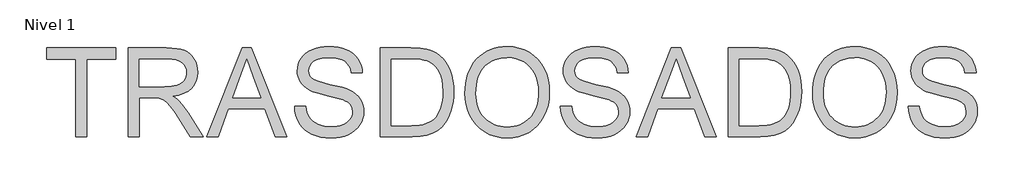
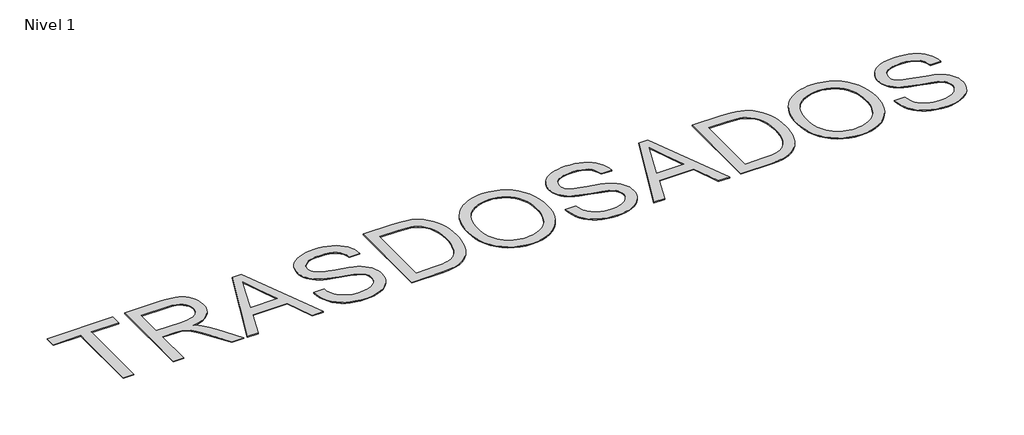
# One storey, part 13 of 13: 1 proxy.
"""IFC4 building model written with IfcOpenShell, lengths in millimetres."""

from ifc_helpers import new_model, si_unit, origin, origin_with_axes, place, context, project, spatial, polyline, outline, extrude, element, save

model = new_model("IFC4")

# Units and contexts
model_context = context("Model", 3, world=origin())
ifc_project = project(units=[si_unit("LENGTHUNIT", "METRE", prefix="MILLI")], contexts=[model_context])

# Site, building, storey
site = spatial("IfcSite", under=ifc_project)
building = spatial("IfcBuilding", under=site)
storey = spatial("IfcBuildingStorey", under=building, Name="Nivel 1", Elevation=0.0)

# Proxy
placement = place(None, origin())
element("IfcBuildingElementProxy", 1, Name="Texto de modelo 2", ObjectType="Texto de modelo 2", at=placement, inside=storey, context=model_context, shape_type="SweptSolid", body=[
    extrude(outline(polyline([(-17594.1247098, 9182.1614107), (-17594.1247098, 10061.1541246), (-17923.7469775, 10061.1541246), (-17923.7469775, 10186.7245122), (-17138.9320545, 10186.7245122), (-17138.9320545, 10061.1541246), (-17468.5543221, 10061.1541246), (-17468.5543221, 9182.1614107), (-17594.1247098, 9182.1614107)])), origin_with_axes(), (0.0, 0.0, 1.0), 10.0),
    extrude(outline(polyline([(-16997.6653683, 9182.1614107), (-16997.6653683, 10186.7245122), (-16564.7908873, 10186.7245122), (-16502.6571512, 10185.0307222), (-16448.4482064, 10179.9493522), (-16402.1640528, 10171.4804021), (-16363.8046906, 10159.6238719), (-16331.1398351, 10143.467721), (-16301.9392018, 10122.0999084), (-16276.2027905, 10095.5204343), (-16253.9306014, 10063.7292985), (-16235.9580331, 10028.4356196), (-16223.1204843, 9991.348516), (-16215.417955, 9952.4679876), (-16212.8504453, 9911.7940345), (-16217.1040808, 9860.1985847), (-16229.8649875, 9812.8337778), (-16251.1331654, 9769.6996139), (-16280.9086144, 9730.7960929), (-16319.5745449, 9697.3648166), (-16367.5141674, 9670.6473867), (-16424.7274819, 9650.6438032), (-16491.2144883, 9637.3540661), (-16449.8277638, 9610.3147395), (-16419.8453812, 9583.6432948), (-16368.4032156, 9522.6361973), (-16318.0646959, 9454.3940872), (-16150.5557608, 9182.1614107), (-16296.4822855, 9182.1614107), (-16427.2030211, 9390.38262), (-16479.5035781, 9469.845131), (-16521.6260666, 9528.2157409), (-16556.7281403, 9568.4068488), (-16587.967453, 9593.330854), (-16617.5512968, 9607.9541633), (-16647.6869636, 9617.2431837), (-16720.5275986, 9621.6577676), (-16872.0949806, 9621.6577676), (-16872.0949806, 9182.1614107), (-16997.6653683, 9182.1614107)]), holes=[polyline([(-16872.0949806, 9747.2281553), (-16591.0331363, 9747.2281553), (-16510.3136952, 9751.6733961), (-16447.6817855, 9765.0091184), (-16422.4971973, 9775.2331722), (-16400.5315765, 9788.1243705), (-16381.7849231, 9803.6827132), (-16366.2572373, 9821.9082004), (-16354.0788104, 9841.9041196), (-16345.379934, 9862.7737587), (-16340.1606082, 9884.5171174), (-16338.420833, 9907.1341959), (-16341.7394351, 9939.2472284), (-16351.6952416, 9968.3865481), (-16368.2882524, 9994.552155), (-16391.5184676, 10017.7440491), (-16421.9223817, 10036.7359571), (-16460.0364892, 10050.3016057), (-16505.8607902, 10058.4409948), (-16559.3952847, 10061.1541246), (-16872.0949806, 10061.1541246), (-16872.0949806, 9747.2281553)])]), origin_with_axes(), (0.0, 0.0, 1.0), 10.0),
    extrude(outline(polyline([(-16110.0887413, 9182.1614107), (-15709.0973665, 10186.7245122), (-15602.1663333, 10186.7245122), (-15201.1749585, 9182.1614107), (-15333.8577315, 9182.1614107), (-15448.8821686, 9496.08738), (-15862.6267859, 9496.08738), (-15977.4059684, 9182.1614107), (-16110.0887413, 9182.1614107)]), holes=[polyline([(-15816.5189091, 9621.6577676), (-15494.7447907, 9621.6577676), (-15585.2437615, 9868.6292137), (-15655.6318499, 10061.1541246), (-15718.1717891, 9890.2116241), (-15816.5189091, 9621.6577676)])]), origin_with_axes(), (0.0, 0.0, 1.0), 10.0),
    extrude(outline(polyline([(-15114.109553, 9527.4799769), (-14988.5391653, 9527.4799769), (-14982.7910091, 9490.9293678), (-14974.1304538, 9457.7969956), (-14962.5574994, 9428.0828603), (-14948.0721459, 9401.7869619), (-14929.9386292, 9378.3804699), (-14907.4211854, 9357.3345541), (-14880.5198145, 9338.6492144), (-14849.2345165, 9322.3244509), (-14814.7149226, 9309.0730349), (-14778.1106641, 9299.6077377), (-14739.4217409, 9293.9285594), (-14698.6481531, 9292.0355), (-14628.6892604, 9297.7683277), (-14596.9747667, 9304.9343624), (-14567.4369082, 9314.966811), (-14540.8037846, 9327.5054557), (-14517.8034957, 9342.1900786), (-14498.4360415, 9359.0206799), (-14482.701422, 9377.9972595), (-14470.5229951, 9398.2997471), (-14461.8241187, 9419.1080725), (-14456.6047929, 9440.4222356), (-14454.8650177, 9462.2422364), (-14460.0766793, 9504.2727544), (-14475.711664, 9540.6011014), (-14488.8634454, 9556.7189313), (-14507.472143, 9571.5951595), (-14531.5377568, 9585.2297859), (-14561.0602869, 9597.6228106), (-14627.3710166, 9617.3351542), (-14743.8976385, 9645.5700973), (-14863.9191395, 9677.2999194), (-14907.7200895, 9692.5900148), (-14940.714506, 9707.4968999), (-14974.245417, 9727.5004833), (-15003.2237883, 9749.7420156), (-15027.6496199, 9774.2214967), (-15047.5229119, 9800.9389266), (-15062.9203062, 9829.6183938), (-15073.918445, 9859.9839869), (-15080.5173283, 9892.0357057), (-15082.7169561, 9925.7735503), (-15079.9961622, 9963.1672223), (-15071.8337804, 9999.3192925), (-15058.2298108, 10034.229761), (-15039.1842533, 10067.8986278), (-15014.9117059, 10098.9539996), (-14985.6267662, 10126.023983), (-14951.3294344, 10149.1085782), (-14912.0197103, 10168.2077851), (-14869.0235021, 10183.1759838), (-14823.6667178, 10193.8675543), (-14775.9493574, 10200.2824966), (-14725.8714208, 10202.4208107), (-14671.2409445, 10200.1828619), (-14619.9214062, 10193.4690155), (-14571.9128058, 10182.2792715), (-14527.2151434, 10166.6136298), (-14486.6561534, 10146.6100463), (-14451.0635704, 10122.4064767), (-14420.4373943, 10094.002921), (-14394.7776251, 10061.3993792), (-14374.2835323, 10025.5462131), (-14359.1543852, 9987.3937845), (-14349.390184, 9946.9420935), (-14344.9909284, 9904.1911399), (-14470.5613161, 9904.1911399), (-14478.9612883, 9944.2596206), (-14493.6152545, 9979.1164396), (-14514.5232145, 10008.7615971), (-14541.6851685, 10033.1950929), (-14575.6069542, 10052.2942998), (-14616.7944092, 10065.9365905), (-14665.2475336, 10074.1219649), (-14720.9663275, 10076.850423), (-14778.4632177, 10074.1526217), (-14827.5907924, 10066.0592178), (-14868.3490518, 10052.5702113), (-14900.7379958, 10033.6856022), (-14925.4167463, 10010.9842175), (-14943.0444253, 9986.0448839), (-14953.6210326, 9958.8676015), (-14957.1465684, 9929.4523703), (-14954.6480365, 9904.1451547), (-14947.1524409, 9881.1985152), (-14934.6597814, 9860.6124519), (-14917.1700583, 9842.3869648), (-14889.6402223, 9825.1271678), (-14846.2914605, 9807.6834299), (-14787.123773, 9790.0557509), (-14712.1371596, 9772.244131), (-14573.6909021, 9738.5829284), (-14524.9771946, 9723.3618109), (-14489.9364345, 9709.2136825), (-14451.4391166, 9687.7692279), (-14418.3527296, 9663.6576288), (-14390.6772737, 9636.8788852), (-14368.4127488, 9607.4329972), (-14351.2985718, 9575.4732488), (-14339.0741597, 9541.1529244), (-14331.7395124, 9504.4720238), (-14329.29463, 9465.430547), (-14332.1073944, 9426.1514798), (-14340.5456877, 9388.0220439), (-14354.6095098, 9351.0422392), (-14374.2988607, 9315.2120657), (-14399.2688511, 9281.9187451), (-14429.1745917, 9252.5494992), (-14464.0160823, 9227.1043278), (-14503.793323, 9205.5832311), (-14547.3490184, 9188.4690541), (-14593.525873, 9176.244642), (-14642.3238868, 9168.9099947), (-14693.7430599, 9166.4651123), (-14757.9767891, 9169.1015999), (-14816.7689304, 9177.0110628), (-14870.1194839, 9190.193501), (-14918.0284496, 9208.6489144), (-14960.7870673, 9232.4079599), (-14998.686577, 9261.5012944), (-15031.7269787, 9295.9289178), (-15059.9082724, 9335.6908301), (-15082.6096572, 9379.4994443), (-15099.2103322, 9426.0671735), (-15109.7102975, 9475.3940177), (-15114.109553, 9527.4799769)])), origin_with_axes(), (0.0, 0.0, 1.0), 10.0),
    extrude(outline(polyline([(-14140.9390484, 9182.1614107), (-14140.9390484, 10186.7245122), (-13794.394209, 10186.7245122), (-13690.8354273, 10183.107006), (-13615.11305, 10172.2544871), (-13573.5117277, 10160.3136507), (-13535.0374024, 10144.3567691), (-13499.690074, 10124.3838425), (-13467.4697426, 10100.3948707), (-13430.237019, 10064.4650625), (-13398.0013592, 10023.8754157), (-13370.7627631, 9978.6259303), (-13348.5212308, 9928.7166063), (-13331.2461055, 9874.6072962), (-13318.9067302, 9816.7578524), (-13311.5031051, 9755.1682751), (-13309.03523, 9689.8385641), (-13310.7060274, 9634.3113754), (-13315.7184196, 9582.0184827), (-13324.0724066, 9532.9598858), (-13335.7679883, 9487.1355847), (-13366.3021939, 9406.35483), (-13384.4203822, 9371.6896161), (-13404.4392941, 9340.841178), (-13448.3398789, 9289.1231008), (-13496.1645382, 9249.7290705), (-13551.070926, 9220.5131087), (-13616.216696, 9199.3292372), (-13691.7244755, 9186.4533674), (-13777.7168919, 9182.1614107), (-14140.9390484, 9182.1614107)]), holes=[polyline([(-14015.3686607, 9307.7317984), (-13793.1679357, 9307.7317984), (-13701.2587505, 9312.2690097), (-13663.6274881, 9317.9405238), (-13631.5451124, 9325.8806435), (-13578.9379871, 9347.7696222), (-13557.1409789, 9361.5192118), (-13538.3483403, 9377.1388682), (-13515.1794388, 9402.3157922), (-13494.7236671, 9431.493433), (-13476.981025, 9464.6717904), (-13461.9515127, 9501.8508646), (-13449.9876836, 9543.1072975), (-13441.4420914, 9588.5177312), (-13436.3147361, 9638.0821659), (-13434.6056177, 9691.8006014), (-13437.9548767, 9764.7025501), (-13448.0026537, 9828.6527036), (-13464.7489487, 9883.6510619), (-13488.1937617, 9929.6976249), (-13516.436369, 9967.8347251), (-13547.576047, 9999.1046947), (-13581.6127958, 10023.5075337), (-13618.5466153, 10041.0432421), (-13650.4603784, 10049.8417532), (-13690.7741137, 10056.126404), (-13796.601501, 10061.1541246), (-14015.3686607, 10061.1541246), (-14015.3686607, 9307.7317984)])]), origin_with_axes(), (0.0, 0.0, 1.0), 10.0),
    extrude(outline(polyline([(-13183.4648423, 9671.1992097), (-13181.3725135, 9731.8039363), (-13175.0955269, 9789.028747), (-13164.6338827, 9842.873642), (-13149.9875808, 9893.3386211), (-13131.1566211, 9940.4236844), (-13108.1410038, 9984.1288318), (-13080.9407288, 10024.4540634), (-13049.5557961, 10061.3993792), (-13014.8637575, 10094.4512772), (-12977.7421649, 10123.0962555), (-12938.1910184, 10147.334314), (-12896.2103178, 10167.1654528), (-12851.8000632, 10182.5896719), (-12804.9602545, 10193.6069712), (-12755.6908919, 10200.2173508), (-12703.9919753, 10202.4208107), (-12636.4089871, 10198.2821383), (-12572.2289073, 10185.8661209), (-12511.4517361, 10165.1727587), (-12454.0774732, 10136.2020516), (-12401.7156026, 10099.8277193), (-12355.9756078, 10056.9234816), (-12316.857489, 10007.4893385), (-12284.3612461, 9951.52529), (-12258.8241043, 9890.3035946), (-12240.5832887, 9825.096511), (-12229.6387993, 9755.9040391), (-12225.9906362, 9682.7261788), (-12229.8304045, 9608.5826284), (-12241.3497095, 9538.4551231), (-12260.5485511, 9472.3436629), (-12287.4269294, 9410.2482478), (-12321.348715, 9353.8090183), (-12361.6777788, 9304.6661151), (-12408.4141206, 9262.8195382), (-12461.5577405, 9228.2692875), (-12519.0163096, 9201.2299608), (-12578.6974991, 9181.9161561), (-12640.601309, 9170.3278732), (-12704.7277393, 9166.4651123), (-12773.4910155, 9170.7340763), (-12838.5141582, 9183.5409682), (-12899.7971672, 9204.8857882), (-12957.3400426, 9234.7685361), (-13009.6405996, 9272.0319165), (-13055.1966533, 9315.518634), (-13094.0082038, 9365.2286886), (-13126.0752511, 9421.1620803), (-13151.1831972, 9481.073196), (-13169.1174445, 9542.7164228), (-13179.8779929, 9606.0917607), (-13183.4648423, 9671.1992097)]), holes=[polyline([(-13057.8944546, 9669.9729363), (-13056.325208, 9627.1798297), (-13051.6174681, 9586.7243065), (-13043.7712349, 9548.6063669), (-13032.7865085, 9512.8260107), (-13018.6632887, 9479.3832381), (-13001.4015758, 9448.278049), (-12981.0013695, 9419.5104434), (-12957.46267, 9393.0804213), (-12931.5557301, 9369.3980179), (-12904.0508028, 9348.8732682), (-12874.9478881, 9331.5061724), (-12844.2469859, 9317.2967303), (-12811.9480964, 9306.244942), (-12778.0512194, 9298.3508076), (-12742.5563551, 9293.6143269), (-12705.4635033, 9292.0355), (-12667.692369, 9293.6296553), (-12631.6341853, 9298.4121212), (-12597.2889522, 9306.3828978), (-12564.6566696, 9317.541985), (-12533.7373375, 9331.8893828), (-12504.530956, 9349.4250912), (-12477.037525, 9370.1491103), (-12451.2570446, 9394.06144), (-12427.8907897, 9420.9053293), (-12407.6400355, 9450.4240273), (-12390.504782, 9482.617534), (-12376.4850291, 9517.4858493), (-12365.5807768, 9555.0289734), (-12357.7920252, 9595.2469061), (-12353.1187742, 9638.1396475), (-12351.5610239, 9683.7071975), (-12354.2281684, 9741.1734308), (-12362.2296018, 9794.8688737), (-12375.5653241, 9844.7935261), (-12394.2353353, 9890.9473881), (-12418.0327019, 9932.7249872), (-12446.7504901, 9969.5208509), (-12480.3887001, 10001.3349793), (-12518.9473317, 10028.1673723), (-12561.2307685, 10049.466207), (-12606.0433941, 10064.6796603), (-12653.3852083, 10073.8077323), (-12703.2562113, 10076.850423), (-12773.322403, 10070.9873037), (-12838.3302172, 10053.3979458), (-12868.9372328, 10040.2059274), (-12898.279654, 10024.0823493), (-12953.1707133, 9983.0405142), (-12977.7153402, 9957.6279158), (-12998.9873502, 9928.2950748), (-13016.9867432, 9895.0419914), (-13031.7135193, 9857.8686654), (-13043.1676785, 9816.7750969), (-13051.3492208, 9771.7612859), (-13056.2581462, 9722.8272324), (-13057.8944546, 9669.9729363)])]), origin_with_axes(), (0.0, 0.0, 1.0), 10.0),
    extrude(outline(polyline([(-12100.4202485, 9527.4799769), (-11974.8498608, 9527.4799769), (-11969.1017047, 9490.9293678), (-11960.4411494, 9457.7969956), (-11948.8681949, 9428.0828603), (-11934.3828414, 9401.7869619), (-11916.2493247, 9378.3804699), (-11893.7318809, 9357.3345541), (-11866.83051, 9338.6492144), (-11835.545212, 9322.3244509), (-11801.0256181, 9309.0730349), (-11764.4213596, 9299.6077377), (-11725.7324364, 9293.9285594), (-11684.9588486, 9292.0355), (-11614.9999559, 9297.7683277), (-11583.2854622, 9304.9343624), (-11553.7476037, 9314.966811), (-11527.1144801, 9327.5054557), (-11504.1141912, 9342.1900786), (-11484.746737, 9359.0206799), (-11469.0121175, 9377.9972595), (-11456.8336906, 9398.2997471), (-11448.1348142, 9419.1080725), (-11442.9154884, 9440.4222356), (-11441.1757132, 9462.2422364), (-11446.3873748, 9504.2727544), (-11462.0223596, 9540.6011014), (-11475.1741409, 9556.7189313), (-11493.7828385, 9571.5951595), (-11517.8484523, 9585.2297859), (-11547.3709824, 9597.6228106), (-11613.6817121, 9617.3351542), (-11730.208334, 9645.5700973), (-11850.229835, 9677.2999194), (-11894.030785, 9692.5900148), (-11927.0252015, 9707.4968999), (-11960.5561125, 9727.5004833), (-11989.5344838, 9749.7420156), (-12013.9603154, 9774.2214967), (-12033.8336074, 9800.9389266), (-12049.2310017, 9829.6183938), (-12060.2291405, 9859.9839869), (-12066.8280238, 9892.0357057), (-12069.0276516, 9925.7735503), (-12066.3068577, 9963.1672223), (-12058.1444759, 9999.3192925), (-12044.5405063, 10034.229761), (-12025.4949488, 10067.8986278), (-12001.2224014, 10098.9539996), (-11971.9374617, 10126.023983), (-11937.6401299, 10149.1085782), (-11898.3304058, 10168.2077851), (-11855.3341977, 10183.1759838), (-11809.9774133, 10193.8675543), (-11762.2600529, 10200.2824966), (-11712.1821163, 10202.4208107), (-11657.55164, 10200.1828619), (-11606.2321017, 10193.4690155), (-11558.2235013, 10182.2792715), (-11513.5258389, 10166.6136298), (-11472.9668489, 10146.6100463), (-11437.3742659, 10122.4064767), (-11406.7480898, 10094.002921), (-11381.0883206, 10061.3993792), (-11360.5942278, 10025.5462131), (-11345.4650808, 9987.3937845), (-11335.7008795, 9946.9420935), (-11331.3016239, 9904.1911399), (-11456.8720116, 9904.1911399), (-11465.2719838, 9944.2596206), (-11479.92595, 9979.1164396), (-11500.8339101, 10008.7615971), (-11527.995864, 10033.1950929), (-11561.9176497, 10052.2942998), (-11603.1051047, 10065.9365905), (-11651.5582292, 10074.1219649), (-11707.277023, 10076.850423), (-11764.7739132, 10074.1526217), (-11813.9014879, 10066.0592178), (-11854.6597473, 10052.5702113), (-11887.0486913, 10033.6856022), (-11911.7274418, 10010.9842175), (-11929.3551208, 9986.0448839), (-11939.9317281, 9958.8676015), (-11943.4572639, 9929.4523703), (-11940.958732, 9904.1451547), (-11933.4631364, 9881.1985152), (-11920.970477, 9860.6124519), (-11903.4807538, 9842.3869648), (-11875.9509178, 9825.1271678), (-11832.602156, 9807.6834299), (-11773.4344685, 9790.0557509), (-11698.4478551, 9772.244131), (-11560.0015976, 9738.5829284), (-11511.2878901, 9723.3618109), (-11476.24713, 9709.2136825), (-11437.7498121, 9687.7692279), (-11404.6634251, 9663.6576288), (-11376.9879692, 9636.8788852), (-11354.7234443, 9607.4329972), (-11337.6092673, 9575.4732488), (-11325.3848552, 9541.1529244), (-11318.0502079, 9504.4720238), (-11315.6053255, 9465.430547), (-11318.4180899, 9426.1514798), (-11326.8563832, 9388.0220439), (-11340.9202053, 9351.0422392), (-11360.6095562, 9315.2120657), (-11385.5795466, 9281.9187451), (-11415.4852872, 9252.5494992), (-11450.3267778, 9227.1043278), (-11490.1040185, 9205.5832311), (-11533.6597139, 9188.4690541), (-11579.8365685, 9176.244642), (-11628.6345823, 9168.9099947), (-11680.0537554, 9166.4651123), (-11744.2874846, 9169.1015999), (-11803.0796259, 9177.0110628), (-11856.4301794, 9190.193501), (-11904.3391451, 9208.6489144), (-11947.0977628, 9232.4079599), (-11984.9972725, 9261.5012944), (-12018.0376742, 9295.9289178), (-12046.2189679, 9335.6908301), (-12068.9203527, 9379.4994443), (-12085.5210277, 9426.0671735), (-12096.020993, 9475.3940177), (-12100.4202485, 9527.4799769)])), origin_with_axes(), (0.0, 0.0, 1.0), 10.0),
    extrude(outline(polyline([(-11244.2362184, 9182.1614107), (-10843.2448437, 10186.7245122), (-10736.3138104, 10186.7245122), (-10335.3224357, 9182.1614107), (-10468.0052086, 9182.1614107), (-10583.0296458, 9496.08738), (-10996.774263, 9496.08738), (-11111.5534455, 9182.1614107), (-11244.2362184, 9182.1614107)]), holes=[polyline([(-10950.6663863, 9621.6577676), (-10628.8922678, 9621.6577676), (-10719.3912386, 9868.6292137), (-10789.779327, 10061.1541246), (-10852.3192662, 9890.2116241), (-10950.6663863, 9621.6577676)])]), origin_with_axes(), (0.0, 0.0, 1.0), 10.0),
    extrude(outline(polyline([(-10201.1681348, 9182.1614107), (-10201.1681348, 10186.7245122), (-9854.6232953, 10186.7245122), (-9751.0645137, 10183.107006), (-9675.3421363, 10172.2544871), (-9633.740814, 10160.3136507), (-9595.2664887, 10144.3567691), (-9559.9191603, 10124.3838425), (-9527.6988289, 10100.3948707), (-9490.4661053, 10064.4650625), (-9458.2304455, 10023.8754157), (-9430.9918494, 9978.6259303), (-9408.7503171, 9928.7166063), (-9391.4751918, 9874.6072962), (-9379.1358165, 9816.7578524), (-9371.7321914, 9755.1682751), (-9369.2643163, 9689.8385641), (-9370.9351137, 9634.3113754), (-9375.9475059, 9582.0184827), (-9384.3014929, 9532.9598858), (-9395.9970746, 9487.1355847), (-9426.5312802, 9406.35483), (-9444.6494685, 9371.6896161), (-9464.6683804, 9340.841178), (-9508.5689652, 9289.1231008), (-9556.3936245, 9249.7290705), (-9611.3000123, 9220.5131087), (-9676.4457823, 9199.3292372), (-9751.9535618, 9186.4533674), (-9837.9459782, 9182.1614107), (-10201.1681348, 9182.1614107)]), holes=[polyline([(-10075.5977471, 9307.7317984), (-9853.397022, 9307.7317984), (-9761.4878369, 9312.2690097), (-9723.8565744, 9317.9405238), (-9691.7741988, 9325.8806435), (-9639.1670735, 9347.7696222), (-9617.3700652, 9361.5192118), (-9598.5774267, 9377.1388682), (-9575.4085252, 9402.3157922), (-9554.9527534, 9431.493433), (-9537.2101113, 9464.6717904), (-9522.180599, 9501.8508646), (-9510.2167699, 9543.1072975), (-9501.6711778, 9588.5177312), (-9496.5438225, 9638.0821659), (-9494.834704, 9691.8006014), (-9498.183963, 9764.7025501), (-9508.23174, 9828.6527036), (-9524.978035, 9883.6510619), (-9548.422848, 9929.6976249), (-9576.6654553, 9967.8347251), (-9607.8051334, 9999.1046947), (-9641.8418821, 10023.5075337), (-9678.7757016, 10041.0432421), (-9710.6894647, 10049.8417532), (-9751.0032, 10056.126404), (-9856.8305873, 10061.1541246), (-10075.5977471, 10061.1541246), (-10075.5977471, 9307.7317984)])]), origin_with_axes(), (0.0, 0.0, 1.0), 10.0),
    extrude(outline(polyline([(-9243.6939286, 9671.1992097), (-9241.6015998, 9731.8039363), (-9235.3246133, 9789.028747), (-9224.862969, 9842.873642), (-9210.2166671, 9893.3386211), (-9191.3857075, 9940.4236844), (-9168.3700901, 9984.1288318), (-9141.1698151, 10024.4540634), (-9109.7848824, 10061.3993792), (-9075.0928438, 10094.4512772), (-9037.9712513, 10123.0962555), (-8998.4201047, 10147.334314), (-8956.4394041, 10167.1654528), (-8912.0291495, 10182.5896719), (-8865.1893409, 10193.6069712), (-8815.9199782, 10200.2173508), (-8764.2210616, 10202.4208107), (-8696.6380734, 10198.2821383), (-8632.4579937, 10185.8661209), (-8571.6808224, 10165.1727587), (-8514.3065595, 10136.2020516), (-8461.9446889, 10099.8277193), (-8416.2046942, 10056.9234816), (-8377.0865753, 10007.4893385), (-8344.5903324, 9951.52529), (-8319.0531906, 9890.3035946), (-8300.812375, 9825.096511), (-8289.8678856, 9755.9040391), (-8286.2197225, 9682.7261788), (-8290.0594909, 9608.5826284), (-8301.5787958, 9538.4551231), (-8320.7776375, 9472.3436629), (-8347.6560157, 9410.2482478), (-8381.5778014, 9353.8090183), (-8421.9068651, 9304.6661151), (-8468.6432069, 9262.8195382), (-8521.7868268, 9228.2692875), (-8579.2453959, 9201.2299608), (-8638.9265854, 9181.9161561), (-8700.8303953, 9170.3278732), (-8764.9568256, 9166.4651123), (-8833.7201019, 9170.7340763), (-8898.7432445, 9183.5409682), (-8960.0262535, 9204.8857882), (-9017.5691289, 9234.7685361), (-9069.8696859, 9272.0319165), (-9115.4257397, 9315.518634), (-9154.2372901, 9365.2286886), (-9186.3043374, 9421.1620803), (-9211.4122836, 9481.073196), (-9229.3465308, 9542.7164228), (-9240.1070792, 9606.0917607), (-9243.6939286, 9671.1992097)]), holes=[polyline([(-9118.123541, 9669.9729363), (-9116.5542943, 9627.1798297), (-9111.8465544, 9586.7243065), (-9104.0003212, 9548.6063669), (-9093.0155948, 9512.8260107), (-9078.8923751, 9479.3832381), (-9061.6306621, 9448.278049), (-9041.2304558, 9419.5104434), (-9017.6917563, 9393.0804213), (-8991.7848164, 9369.3980179), (-8964.2798891, 9348.8732682), (-8935.1769744, 9331.5061724), (-8904.4760723, 9317.2967303), (-8872.1771827, 9306.244942), (-8838.2803058, 9298.3508076), (-8802.7854414, 9293.6143269), (-8765.6925896, 9292.0355), (-8727.9214554, 9293.6296553), (-8691.8632717, 9298.4121212), (-8657.5180385, 9306.3828978), (-8624.8857559, 9317.541985), (-8593.9664239, 9331.8893828), (-8564.7600423, 9349.4250912), (-8537.2666114, 9370.1491103), (-8511.4861309, 9394.06144), (-8488.1198761, 9420.9053293), (-8467.8691219, 9450.4240273), (-8450.7338683, 9482.617534), (-8436.7141154, 9517.4858493), (-8425.8098631, 9555.0289734), (-8418.0211115, 9595.2469061), (-8413.3478605, 9638.1396475), (-8411.7901102, 9683.7071975), (-8414.4572547, 9741.1734308), (-8422.4586881, 9794.8688737), (-8435.7944104, 9844.7935261), (-8454.4644217, 9890.9473881), (-8478.2617882, 9932.7249872), (-8506.9795765, 9969.5208509), (-8540.6177864, 10001.3349793), (-8579.176418, 10028.1673723), (-8621.4598548, 10049.466207), (-8666.2724804, 10064.6796603), (-8713.6142946, 10073.8077323), (-8763.4852976, 10076.850423), (-8833.5514893, 10070.9873037), (-8898.5593035, 10053.3979458), (-8929.1663191, 10040.2059274), (-8958.5087403, 10024.0823493), (-9013.3997997, 9983.0405142), (-9037.9444265, 9957.6279158), (-9059.2164365, 9928.2950748), (-9077.2158295, 9895.0419914), (-9091.9426056, 9857.8686654), (-9103.3967648, 9816.7750969), (-9111.5783071, 9771.7612859), (-9116.4872325, 9722.8272324), (-9118.123541, 9669.9729363)])]), origin_with_axes(), (0.0, 0.0, 1.0), 10.0),
    extrude(outline(polyline([(-8160.6493348, 9527.4799769), (-8035.0789472, 9527.4799769), (-8029.330791, 9490.9293678), (-8020.6702357, 9457.7969956), (-8009.0972812, 9428.0828603), (-7994.6119277, 9401.7869619), (-7976.478411, 9378.3804699), (-7953.9609672, 9357.3345541), (-7927.0595963, 9338.6492144), (-7895.7742983, 9322.3244509), (-7861.2547044, 9309.0730349), (-7824.6504459, 9299.6077377), (-7785.9615228, 9293.9285594), (-7745.187935, 9292.0355), (-7675.2290422, 9297.7683277), (-7643.5145485, 9304.9343624), (-7613.97669, 9314.966811), (-7587.3435664, 9327.5054557), (-7564.3432775, 9342.1900786), (-7544.9758233, 9359.0206799), (-7529.2412038, 9377.9972595), (-7517.0627769, 9398.2997471), (-7508.3639006, 9419.1080725), (-7503.1445748, 9440.4222356), (-7501.4047995, 9462.2422364), (-7506.6164611, 9504.2727544), (-7522.2514459, 9540.6011014), (-7535.4032272, 9556.7189313), (-7554.0119248, 9571.5951595), (-7578.0775386, 9585.2297859), (-7607.6000688, 9597.6228106), (-7673.9107984, 9617.3351542), (-7790.4374204, 9645.5700973), (-7910.4589213, 9677.2999194), (-7954.2598713, 9692.5900148), (-7987.2542878, 9707.4968999), (-8020.7851988, 9727.5004833), (-8049.7635701, 9749.7420156), (-8074.1894018, 9774.2214967), (-8094.0626937, 9800.9389266), (-8109.4600881, 9829.6183938), (-8120.4582269, 9859.9839869), (-8127.0571102, 9892.0357057), (-8129.2567379, 9925.7735503), (-8126.535944, 9963.1672223), (-8118.3735622, 9999.3192925), (-8104.7695926, 10034.229761), (-8085.7240352, 10067.8986278), (-8061.4514877, 10098.9539996), (-8032.166548, 10126.023983), (-7997.8692162, 10149.1085782), (-7958.5594922, 10168.2077851), (-7915.563284, 10183.1759838), (-7870.2064997, 10193.8675543), (-7822.4891392, 10200.2824966), (-7772.4112026, 10202.4208107), (-7717.7807263, 10200.1828619), (-7666.461188, 10193.4690155), (-7618.4525876, 10182.2792715), (-7573.7549252, 10166.6136298), (-7533.1959352, 10146.6100463), (-7497.6033522, 10122.4064767), (-7466.9771761, 10094.002921), (-7441.3174069, 10061.3993792), (-7420.8233141, 10025.5462131), (-7405.6941671, 9987.3937845), (-7395.9299658, 9946.9420935), (-7391.5307103, 9904.1911399), (-7517.1010979, 9904.1911399), (-7525.5010702, 9944.2596206), (-7540.1550363, 9979.1164396), (-7561.0629964, 10008.7615971), (-7588.2249503, 10033.1950929), (-7622.146736, 10052.2942998), (-7663.334191, 10065.9365905), (-7711.7873155, 10074.1219649), (-7767.5061093, 10076.850423), (-7825.0029995, 10074.1526217), (-7874.1305743, 10066.0592178), (-7914.8888336, 10052.5702113), (-7947.2777776, 10033.6856022), (-7971.9565281, 10010.9842175), (-7989.5842071, 9986.0448839), (-8000.1608144, 9958.8676015), (-8003.6863502, 9929.4523703), (-8001.1878184, 9904.1451547), (-7993.6922227, 9881.1985152), (-7981.1995633, 9860.6124519), (-7963.7098401, 9842.3869648), (-7936.1800041, 9825.1271678), (-7892.8312424, 9807.6834299), (-7833.6635548, 9790.0557509), (-7758.6769414, 9772.244131), (-7620.2306839, 9738.5829284), (-7571.5169764, 9723.3618109), (-7536.4762164, 9709.2136825), (-7497.9788984, 9687.7692279), (-7464.8925115, 9663.6576288), (-7437.2170555, 9636.8788852), (-7414.9525306, 9607.4329972), (-7397.8383536, 9575.4732488), (-7385.6139415, 9541.1529244), (-7378.2792942, 9504.4720238), (-7375.8344118, 9465.430547), (-7378.6471762, 9426.1514798), (-7387.0854695, 9388.0220439), (-7401.1492916, 9351.0422392), (-7420.8386425, 9315.2120657), (-7445.808633, 9281.9187451), (-7475.7143735, 9252.5494992), (-7510.5558641, 9227.1043278), (-7550.3331048, 9205.5832311), (-7593.8888002, 9188.4690541), (-7640.0656548, 9176.244642), (-7688.8636687, 9168.9099947), (-7740.2828417, 9166.4651123), (-7804.5165709, 9169.1015999), (-7863.3087122, 9177.0110628), (-7916.6592657, 9190.193501), (-7964.5682314, 9208.6489144), (-8007.3268491, 9232.4079599), (-8045.2263589, 9261.5012944), (-8078.2667605, 9295.9289178), (-8106.4480542, 9335.6908301), (-8129.149439, 9379.4994443), (-8145.750114, 9426.0671735), (-8156.2500793, 9475.3940177), (-8160.6493348, 9527.4799769)])), origin_with_axes(), (0.0, 0.0, 1.0), 10.0),
])

save(model, "model.ifc")
